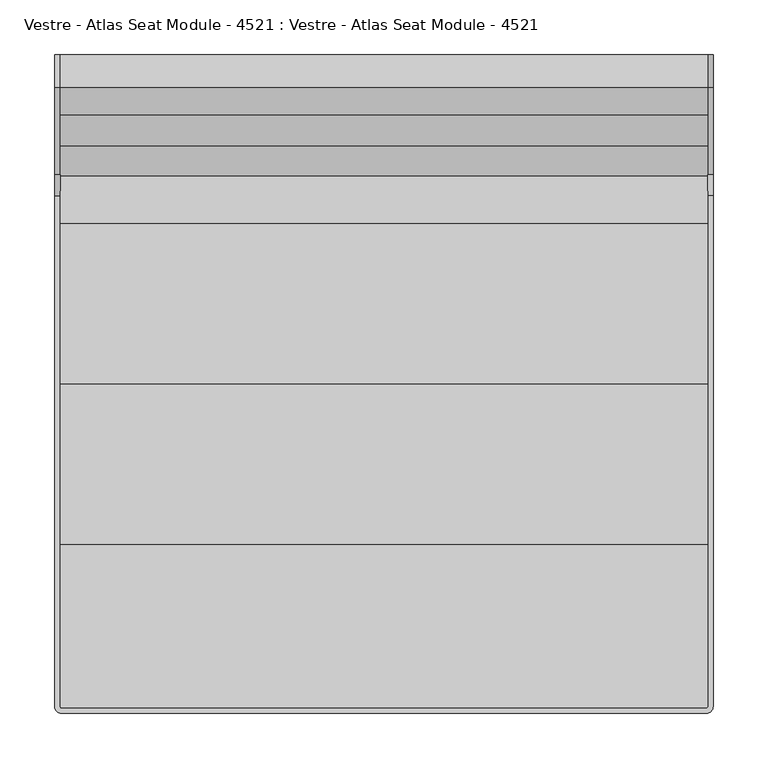
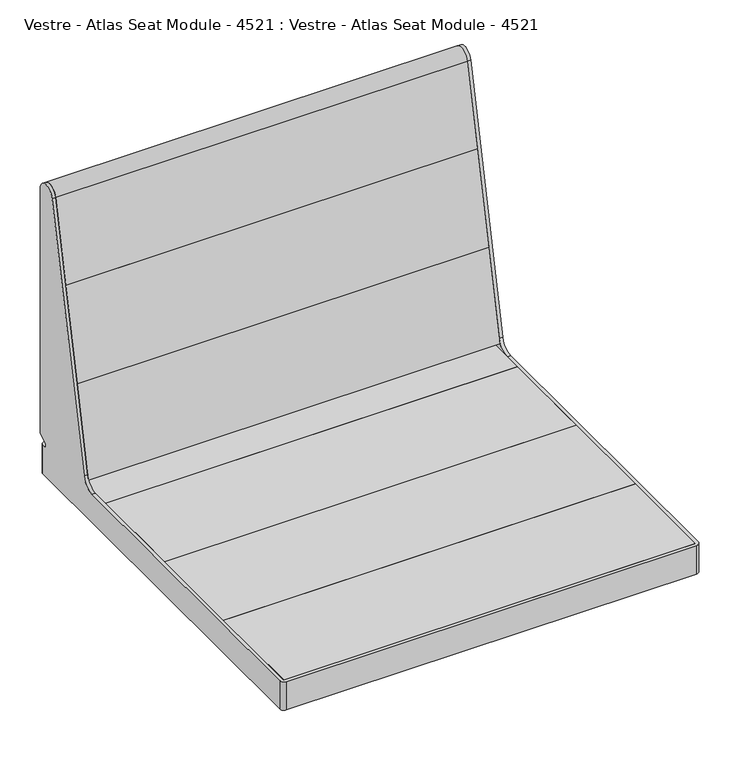
"""IFC4 building model written with IfcOpenShell, lengths in millimetres: furniture geometry, Vestre - Atlas Seat Module - 4521 : Vestre - Atlas Seat Module - 4521."""

from ifc_helpers import new_model, si_unit, point, frame, frame_2d, origin, origin_with_axes, place, context, project, spatial, polyline, circle_curve, trimmed, segment, composite_curve, outline, extrude, source, transform, mapped, element, save
from ifc_brep_helpers import plane_surface, cylinder_surface, revolved_surface, advanced_brep


def vestre_atlas_seat_module_4521_vestre_atlas_seat_module_4521_d1b0581c(model_context):
    return source(origin(), model_context, "Body", "SolidModel", [
        extrude(outline(composite_curve([segment(polyline([(245.3272667, 338.3501092), (270.3277883, 455.9683158)]), True, "CONTINUOUS"), segment(trimmed(circle_curve(frame_2d((285.0000023, 452.8496404)), 15.0), [point((270.3277883, 455.9683158))], [point((300.0000023, 452.8496404))], False, "CARTESIAN"), True, "CONTINUOUS"), segment(polyline([(300.0000023, 452.8496404), (300.0000023, 338.3501092), (245.3272667, 338.3501092)]), True, "CONTINUOUS")], self_intersect=False)), frame((-295.0000168, 0.0, 0.0), z_axis=(1.0, 0.0, 0.0), x_axis=(0.0, 1.0, 0.0)), (0.0, 0.0, 1.0), 590.0000336),
        extrude(outline(polyline([(217.1635184, 205.8500911), (245.3272667, 338.3501092), (300.0000023, 338.3501092), (300.0000023, 205.8500911), (217.1635184, 205.8500911)])), frame((-295.0000168, 0.0, 0.0), z_axis=(1.0, 0.0, 0.0), x_axis=(0.0, 1.0, 0.0)), (0.0, 0.0, 1.0), 590.0000336),
        extrude(outline(polyline([(295.0000168, -146.0000273), (-295.0000168, -146.0000273), (-295.0000168, 0.0), (295.0000168, 0.0), (295.0000168, -146.0000273)])), frame((0.0, 0.0, 39.8500022), z_axis=(0.0, 0.0, 1.0), x_axis=(1.0, 0.0, 0.0)), (0.0, 0.0, 1.0), 27.9999988),
        extrude(outline(polyline([(295.0000168, 146.0000273), (295.0000168, 0.0), (-295.0000168, 0.0), (-295.0000168, 146.0000273), (295.0000168, 146.0000273)])), frame((0.0, 0.0, 39.8500022), z_axis=(0.0, 0.0, 1.0), x_axis=(1.0, 0.0, 0.0)), (0.0, 0.0, 1.0), 27.9999988),
        extrude(outline(composite_curve([segment(polyline([(-294.009246, 294.9999441), (294.0105528, 294.9999441)]), True, "CONTINUOUS"), segment(trimmed(circle_curve(frame_2d((294.0105528, 294.0104801)), 0.989464), [point((294.0105528, 294.9999441))], [point((295.0000168, 294.0104801))], False, "CARTESIAN"), True, "CONTINUOUS"), segment(polyline([(295.0000168, 294.0104801), (295.0000168, 146.0000273), (-295.0000168, 146.0000273), (-295.0000168, 294.0091733)]), True, "CONTINUOUS"), segment(trimmed(circle_curve(frame_2d((-294.009246, 294.0091733)), 0.9907708), [point((-295.0000168, 294.0091733))], [point((-294.009246, 294.9999441))], False, "CARTESIAN"), True, "CONTINUOUS")], self_intersect=False)), frame((0.0, 0.0, 39.8500022), z_axis=(0.0, 0.0, 1.0), x_axis=(1.0, 0.0, 0.0)), (0.0, 0.0, 1.0), 27.9999988),
        extrude(outline(composite_curve([segment(trimmed(circle_curve(frame_2d((-294.0358013, -294.035874)), 0.9642155), [point((-294.0358013, -295.0000895))], [point((-295.0000168, -294.035874))], False, "CARTESIAN"), True, "CONTINUOUS"), segment(polyline([(-295.0000168, -294.035874), (-295.0000168, -146.0000273), (295.0000168, -146.0000273), (295.0000168, -294.0016577)]), True, "CONTINUOUS"), segment(trimmed(circle_curve(frame_2d((294.0015851, -294.0016577)), 0.9984317), [point((295.0000168, -294.0016577))], [point((294.0015851, -295.0000895))], False, "CARTESIAN"), True, "CONTINUOUS"), segment(polyline([(294.0015851, -295.0000895), (-294.0358013, -295.0000895)]), True, "CONTINUOUS")], self_intersect=False)), frame((0.0, 0.0, 39.8500022), z_axis=(0.0, 0.0, 1.0), x_axis=(1.0, 0.0, 0.0)), (0.0, 0.0, 1.0), 27.9999988),
        extrude(outline(polyline([(34.9996078, 34.9999712), (34.9996078, -34.9999712), (-34.9996078, -34.9999712), (-34.9996078, 34.9999712), (34.9996078, 34.9999712)])), origin_with_axes(), (0.0, 0.0, 1.0), 39.8500022),
        extrude(outline(polyline([(217.1636487, 205.8500911), (299.9998569, 205.8500911), (299.9998569, 76.3499908), (189.6375526, 76.3499908), (217.1636487, 205.8500911)])), frame((-295.0000168, 0.0, 0.0), z_axis=(1.0, 0.0, 0.0), x_axis=(0.0, 1.0, 0.0)), (0.0, 0.0, 1.0), 590.0000336),
        advanced_brep(
        [(-295.0000168, 300.0000023, 83.4372244), (-295.0000168, 300.0000023, 452.8496404), (-295.0000168, 270.3277883, 455.9683158), (-295.0000168, 191.1979651, 83.6917671), (-295.0000168, 171.6350131, 67.850001), (-295.0000168, -294.035874, 67.850001), (-295.0000168, -294.035874, 24.8500093), (-295.0000168, 294.0091733, 24.8500093), (-295.0000168, 294.0091733, 67.850001), (-295.0000168, 289.8860908, 67.850001), (-295.0000168, 287.8917461, 75.2929964), (-295.0000168, 299.001022, 81.7069398), (-299.9997116, 300.0000023, 83.4372244), (-299.9997116, 299.001022, 81.7069398), (-299.9997116, 287.8917461, 75.2929964), (-299.9997116, 289.8860908, 67.850001), (-299.9997116, 294.0000778, 67.850001), (-299.9997116, 294.000075, 24.8500093), (-299.9997116, -294.0369399, 24.8500093), (-299.9997116, -294.0369399, 67.850001), (-299.9997116, 171.6350131, 67.850001), (-299.9997116, 191.1979651, 83.6917671), (-299.9997116, 270.3277883, 455.9683158), (-299.9997116, 300.0000023, 452.8496404), (-294.0365765, -300.000075, 67.850001), (293.9997116, -300.000075, 67.850001), (299.9997116, -294.000075, 67.850001), (299.9997116, 171.6350131, 67.850001), (295.0000168, 171.6350131, 67.850001), (295.0000168, -294.0016577, 67.850001), (294.0015851, -295.0000895, 67.850001), (-294.0358013, -295.0000895, 67.850001), (-294.009246, 294.9999441, 67.850001), (294.0105528, 294.9999441, 67.850001), (295.0000168, 294.0104801, 67.850001), (295.0000168, 289.8860908, 67.850001), (299.9997116, 289.8860908, 67.850001), (299.9997116, 294.0000778, 67.850001), (293.9997116, 300.000075, 67.850001), (-293.9997116, 300.000075, 67.850001), (295.0000168, 300.0000023, 83.4372244), (295.0000168, 299.001022, 81.7069398), (295.0000168, 287.8917461, 75.2929964), (295.0000168, 294.0104801, 24.8500093), (295.0000168, -294.0016577, 24.8500093), (295.0000168, 191.1979651, 83.6917671), (295.0000168, 270.3277883, 455.9683158), (295.0000168, 300.0000023, 452.8496404), (299.9997116, 300.0000023, 83.4372244), (299.9997116, 300.0000023, 452.8496404), (299.9997116, 270.3277883, 455.9683158), (299.9997116, 191.1979651, 83.6917671), (299.9997116, -294.000075, 24.8500093), (299.9997116, 294.000075, 24.8500093), (299.9997116, 287.8917461, 75.2929964), (299.9997116, 299.001022, 81.7069398), (-293.9997116, 300.000075, 24.8500093), (293.9997116, 300.000075, 24.8500093), (293.9997116, -300.000075, 24.8500093), (-294.0365765, -300.000075, 24.8500093), (-294.0358013, -295.0000895, 24.8500093), (294.0015851, -295.0000895, 24.8500093), (294.0105528, 294.9999441, 24.8500093), (-294.009246, 294.9999441, 24.8500093)],
        [
            (0, 1),
            (1, 2, circle_curve(frame((-295.0000168, 285.0000023, 452.8496404), z_axis=(1.0, 0.0, 0.0), x_axis=(0.0, -1.0, 0.0)), 15.0)),
            (2, 3),
            (3, 4, circle_curve(frame((-295.0000168, 171.6350131, 87.850001), z_axis=(-1.0, 0.0, 0.0), x_axis=(0.0, -1.0, 0.0)), 20.0)),
            (4, 5),
            (5, 6),
            (6, 7),
            (7, 8),
            (8, 9),
            (9, 10, circle_curve(frame((-295.0000168, 289.8860908, 71.8386902), z_axis=(-1.0, 0.0, 0.0), x_axis=(0.0, -1.0, 0.0)), 3.9886892)),
            (10, 11),
            (11, 0, circle_curve(frame((-295.0000168, 298.0020417, 83.4372244), z_axis=(1.0, 0.0, 0.0), x_axis=(0.0, -1.0, 0.0)), 1.9979606)),
            (12, 13, circle_curve(frame((-299.9997116, 298.0020417, 83.4372244), z_axis=(-1.0, 0.0, 0.0), x_axis=(0.0, -1.0, 0.0)), 1.9979606)),
            (13, 14),
            (14, 15, circle_curve(frame((-299.9997116, 289.8860908, 71.8386902), z_axis=(1.0, 0.0, 0.0), x_axis=(0.0, -1.0, 0.0)), 3.9886892)),
            (15, 16),
            (16, 17),
            (17, 18),
            (18, 19),
            (19, 20),
            (20, 21, circle_curve(frame((-299.9997116, 171.6350131, 87.850001), z_axis=(1.0, 0.0, 0.0), x_axis=(0.0, -1.0, 0.0)), 20.0)),
            (21, 22),
            (22, 23, circle_curve(frame((-299.9997116, 285.0000023, 452.8496404), z_axis=(-1.0, 0.0, 0.0), x_axis=(0.0, -1.0, 0.0)), 15.0)),
            (23, 12),
            (0, 12),
            (23, 1),
            (22, 2),
            (21, 3),
            (20, 4),
            (19, 24, circle_curve(frame((-294.0365765, -294.0369399, 67.850001), z_axis=(0.0, 0.0, 1.0), x_axis=(1.0, 0.0, 0.0)), 5.9631351)),
            (24, 25),
            (25, 26, circle_curve(frame((293.9997116, -294.000075, 67.850001), z_axis=(0.0, 0.0, 1.0), x_axis=(1.0, 0.0, 0.0)), 6.0)),
            (26, 27),
            (27, 28),
            (28, 29),
            (29, 30, circle_curve(frame((294.0015851, -294.0016577, 67.850001), z_axis=(0.0, 0.0, -1.0), x_axis=(1.0, 0.0, 0.0)), 0.9984317)),
            (30, 31),
            (31, 5, circle_curve(frame((-294.0358013, -294.035874, 67.850001), z_axis=(0.0, 0.0, -1.0), x_axis=(1.0, 0.0, 0.0)), 0.9642155)),
            (8, 32, circle_curve(frame((-294.009246, 294.0091733, 67.850001), z_axis=(0.0, 0.0, -1.0), x_axis=(1.0, 0.0, 0.0)), 0.9907708)),
            (32, 33),
            (33, 34, circle_curve(frame((294.0105528, 294.0104801, 67.850001), z_axis=(0.0, 0.0, -1.0), x_axis=(1.0, 0.0, 0.0)), 0.989464)),
            (34, 35),
            (35, 36),
            (36, 37),
            (37, 38, circle_curve(frame((293.9997116, 294.000075, 67.850001), z_axis=(0.0, 0.0, 1.0), x_axis=(1.0, 0.0, 0.0)), 6.0)),
            (38, 39),
            (39, 16, circle_curve(frame((-293.9997116, 294.000075, 67.850001), z_axis=(0.0, 0.0, 1.0), x_axis=(1.0, 0.0, 0.0)), 6.0)),
            (15, 9),
            (14, 10),
            (13, 11),
            (40, 41, circle_curve(frame((295.0000168, 298.0020417, 83.4372244), z_axis=(-1.0, 0.0, 0.0), x_axis=(0.0, -1.0, 0.0)), 1.9979606)),
            (41, 42),
            (42, 35, circle_curve(frame((295.0000168, 289.8860908, 71.8386902), z_axis=(1.0, 0.0, 0.0), x_axis=(0.0, -1.0, 0.0)), 3.9886892)),
            (34, 43),
            (43, 44),
            (44, 29),
            (28, 45, circle_curve(frame((295.0000168, 171.6350131, 87.850001), z_axis=(1.0, 0.0, 0.0), x_axis=(0.0, -1.0, 0.0)), 20.0)),
            (45, 46),
            (46, 47, circle_curve(frame((295.0000168, 285.0000023, 452.8496404), z_axis=(-1.0, 0.0, 0.0), x_axis=(0.0, -1.0, 0.0)), 15.0)),
            (47, 40),
            (48, 49),
            (49, 50, circle_curve(frame((299.9997116, 285.0000023, 452.8496404), z_axis=(1.0, 0.0, 0.0), x_axis=(0.0, -1.0, 0.0)), 15.0)),
            (50, 51),
            (51, 27, circle_curve(frame((299.9997116, 171.6350131, 87.850001), z_axis=(-1.0, 0.0, 0.0), x_axis=(0.0, -1.0, 0.0)), 20.0)),
            (26, 52),
            (52, 53),
            (53, 37),
            (36, 54, circle_curve(frame((299.9997116, 289.8860908, 71.8386902), z_axis=(-1.0, 0.0, 0.0), x_axis=(0.0, -1.0, 0.0)), 3.9886892)),
            (54, 55),
            (55, 48, circle_curve(frame((299.9997116, 298.0020417, 83.4372244), z_axis=(1.0, 0.0, 0.0), x_axis=(0.0, -1.0, 0.0)), 1.9979606)),
            (47, 49),
            (48, 40),
            (46, 50),
            (45, 51),
            (42, 54),
            (41, 55),
            (17, 56, circle_curve(frame((-293.9997116, 294.000075, 24.8500093), z_axis=(0.0, 0.0, -1.0), x_axis=(1.0, 0.0, 0.0)), 6.0)),
            (56, 57),
            (57, 53, circle_curve(frame((293.9997116, 294.000075, 24.8500093), z_axis=(0.0, 0.0, -1.0), x_axis=(1.0, 0.0, 0.0)), 6.0)),
            (52, 58, circle_curve(frame((293.9997116, -294.000075, 24.8500093), z_axis=(0.0, 0.0, -1.0), x_axis=(1.0, 0.0, 0.0)), 6.0)),
            (58, 59),
            (59, 18, circle_curve(frame((-294.0365765, -294.0369399, 24.8500093), z_axis=(0.0, 0.0, -1.0), x_axis=(1.0, 0.0, 0.0)), 5.9631351)),
            (6, 60, circle_curve(frame((-294.0358013, -294.035874, 24.8500093), z_axis=(0.0, 0.0, 1.0), x_axis=(1.0, 0.0, 0.0)), 0.9642155)),
            (60, 61),
            (61, 44, circle_curve(frame((294.0015851, -294.0016577, 24.8500093), z_axis=(0.0, 0.0, 1.0), x_axis=(1.0, 0.0, 0.0)), 0.9984317)),
            (43, 62, circle_curve(frame((294.0105528, 294.0104801, 24.8500093), z_axis=(0.0, 0.0, 1.0), x_axis=(1.0, 0.0, 0.0)), 0.989464)),
            (62, 63),
            (63, 7, circle_curve(frame((-294.009246, 294.0091733, 24.8500093), z_axis=(0.0, 0.0, 1.0), x_axis=(1.0, 0.0, 0.0)), 0.9907708)),
            (63, 32),
            (62, 33),
            (61, 30),
            (60, 31),
            (59, 24),
            (58, 25),
            (57, 38),
            (56, 39),
        ],
        [
            plane_surface(frame((-295.0000168, 300.0000023, 452.8497931), z_axis=(1.0, 0.0, 0.0), x_axis=(0.0, 0.0, 1.0))),
            plane_surface(frame((-299.9997116, 300.0000023, 452.8497931), z_axis=(-1.0, 0.0, 0.0), x_axis=(0.0, 0.0, -1.0))),
            plane_surface(frame((-295.0000168, 300.0000023, 83.4372244), z_axis=(0.0, 1.0, 0.0), x_axis=(-1.0, 0.0, 0.0))),
            cylinder_surface(frame((-299.9997116, 285.0000023, 452.8496404), z_axis=(1.0, 0.0, 0.0), x_axis=(0.0, -1.0, 0.0)), 15.0),
            plane_surface(frame((-295.0000168, 270.3277883, 455.9683158), z_axis=(0.0, -0.9781476007338054, 0.20791169081776092), x_axis=(-1.0, 0.0, 0.0))),
            revolved_surface(polyline([(-299.9997116, 151.6350131, 87.850001), (-295.0000168, 151.6350131, 87.850001)]), (-299.9997116, 171.6350131, 87.850001), (-1.0, 0.0, 0.0)),
            plane_surface(frame((-295.0000168, 171.6350131, 67.850001), z_axis=(0.0, 0.0, 1.0), x_axis=(-1.0, 0.0, 0.0))),
            revolved_surface(polyline([(-299.9997116, 285.89740159999997, 71.8386902), (-295.0000168, 285.89740159999997, 71.8386902)]), (-299.9997116, 289.8860908, 71.8386902), (-1.0, 0.0, 0.0)),
            plane_surface(frame((-295.0000168, 287.8917461, 75.2929964), z_axis=(0.0, 0.49999999999999944, -0.866025403784439), x_axis=(-1.0, 0.0, 0.0))),
            cylinder_surface(frame((-299.9997116, 298.0020417, 83.4372244), z_axis=(1.0, 0.0, 0.0), x_axis=(0.0, -1.0, 0.0)), 1.9979606),
            plane_surface(frame((295.0000168, 296.0040811, 83.4372244), z_axis=(-1.0, 0.0, 0.0), x_axis=(0.0, 0.0, 1.0))),
            plane_surface(frame((299.9997116, 296.0040811, 83.4372244), z_axis=(1.0, 0.0, 0.0), x_axis=(0.0, 0.0, -1.0))),
            plane_surface(frame((295.0000168, 300.0000023, 452.8496404), z_axis=(0.0, 1.0, 0.0), x_axis=(1.0, 0.0, 0.0))),
            cylinder_surface(frame((299.9997116, 285.0000023, 452.8496404), z_axis=(-1.0, 0.0, 0.0), x_axis=(0.0, -1.0, 0.0)), 15.0),
            plane_surface(frame((295.0000168, 191.1979651, 83.6917671), z_axis=(0.0, -0.9781476007338054, 0.20791169081776098), x_axis=(1.0, 0.0, 0.0))),
            revolved_surface(polyline([(299.9997116, 151.6350131, 87.850001), (295.0000168, 151.6350131, 87.850001)]), (299.9997116, 171.6350131, 87.850001), (1.0, 0.0, 0.0)),
            revolved_surface(polyline([(299.9997116, 285.89740159999997, 71.8386902), (295.0000168, 285.89740159999997, 71.8386902)]), (299.9997116, 289.8860908, 71.8386902), (1.0, 0.0, 0.0)),
            plane_surface(frame((295.0000168, 299.001022, 81.7069398), z_axis=(0.0, 0.49999999999999944, -0.866025403784439), x_axis=(1.0, 0.0, 0.0))),
            cylinder_surface(frame((299.9997116, 298.0020417, 83.4372244), z_axis=(-1.0, 0.0, 0.0), x_axis=(0.0, -1.0, 0.0)), 1.9979606),
            plane_surface(frame((-295.0000168, 294.0000051, 24.8500093), z_axis=(0.0, 0.0, -1.0), x_axis=(0.0, -1.0, 0.0))),
            revolved_surface(polyline([(-293.0184752, 294.0091733, 24.8500093), (-293.0184752, 294.0091733, 67.850001)]), (-294.009246, 294.0091733, 24.8500093), (0.0, 0.0, -1.0)),
            plane_surface(frame((-294.009246, 294.9999441, 67.850001), z_axis=(0.0, -1.0, 0.0), x_axis=(0.0, 0.0, -1.0))),
            revolved_surface(polyline([(295.0000168, 294.0104801, 24.8500093), (295.0000168, 294.0104801, 67.850001)]), (294.0105528, 294.0104801, 24.8500093), (0.0, 0.0, -1.0)),
            revolved_surface(polyline([(295.0000168, -294.0016577, 24.8500093), (295.0000168, -294.0016577, 67.850001)]), (294.0015851, -294.0016577, 24.8500093), (0.0, 0.0, -1.0)),
            plane_surface(frame((294.0015851, -295.0000895, 67.850001), z_axis=(0.0, 1.0, 0.0), x_axis=(0.0, 0.0, -1.0))),
            revolved_surface(polyline([(-293.0715858, -294.035874, 24.8500093), (-293.0715858, -294.035874, 67.850001)]), (-294.0358013, -294.035874, 24.8500093), (0.0, 0.0, -1.0)),
            cylinder_surface(frame((-294.0365765, -294.0369399, 24.8500093), z_axis=(0.0, 0.0, 1.0), x_axis=(1.0, 0.0, 0.0)), 5.9631351),
            plane_surface(frame((-294.0365765, -300.000075, 67.850001), z_axis=(0.0, -1.0, 0.0), x_axis=(0.0, 0.0, -1.0))),
            cylinder_surface(frame((293.9997116, -294.000075, 24.8500093), z_axis=(0.0, 0.0, 1.0), x_axis=(1.0, 0.0, 0.0)), 6.0),
            cylinder_surface(frame((293.9997116, 294.000075, 24.8500093), z_axis=(0.0, 0.0, 1.0), x_axis=(1.0, 0.0, 0.0)), 6.0),
            plane_surface(frame((293.9997116, 300.000075, 67.850001), z_axis=(0.0, 1.0, 0.0), x_axis=(0.0, 0.0, -1.0))),
            cylinder_surface(frame((-293.9997116, 294.000075, 24.8500093), z_axis=(0.0, 0.0, 1.0), x_axis=(1.0, 0.0, 0.0)), 6.0),
        ],
        [
            (0, [[1, 2, 3, 4, 5, 6, 7, 8, 9, 10, 11, 12]]),
            (1, [[13, 14, 15, 16, 17, 18, 19, 20, 21, 22, 23, 24]]),
            (2, [[-1, 25, -24, 26]]),
            (3, [[-2, -26, -23, 27]]),
            (4, [[-3, -27, -22, 28]]),
            (5, [[-4, -28, -21, 29]]),
            (6, [[-5, -29, -20, 30, 31, 32, 33, 34, 35, 36, 37, 38]]),
            (6, [[39, 40, 41, 42, 43, 44, 45, 46, 47, -16, 48, -9]]),
            (7, [[-10, -48, -15, 49]]),
            (8, [[-11, -49, -14, 50]]),
            (9, [[-12, -50, -13, -25]]),
            (10, [[51, 52, 53, -42, 54, 55, 56, -35, 57, 58, 59, 60]]),
            (11, [[61, 62, 63, 64, -33, 65, 66, 67, -44, 68, 69, 70]]),
            (12, [[-60, 71, -61, 72]]),
            (13, [[-59, 73, -62, -71]]),
            (14, [[-58, 74, -63, -73]]),
            (15, [[-57, -34, -64, -74]]),
            (16, [[-53, 75, -68, -43]]),
            (17, [[-52, 76, -69, -75]]),
            (18, [[-51, -72, -70, -76]]),
            (19, [[-18, 77, 78, 79, -66, 80, 81, 82], [83, 84, 85, -55, 86, 87, 88, -7]]),
            (20, [[-39, -8, -88, 89]]),
            (21, [[-40, -89, -87, 90]]),
            (22, [[-54, -41, -90, -86]]),
            (23, [[-36, -56, -85, 91]]),
            (24, [[-37, -91, -84, 92]]),
            (25, [[-38, -92, -83, -6]]),
            (26, [[-30, -19, -82, 93]]),
            (27, [[-31, -93, -81, 94]]),
            (28, [[-32, -94, -80, -65]]),
            (29, [[-45, -67, -79, 95]]),
            (30, [[-46, -95, -78, 96]]),
            (31, [[-17, -47, -96, -77]]),
        ],
    ),
    ])


if __name__ == "__main__":
    model = new_model("IFC4")
    model_context = context("Model", 3, world=origin())
    ifc_project = project(units=[si_unit("LENGTHUNIT", "METRE", prefix="MILLI")], contexts=[model_context])
    site = spatial("IfcSite", under=ifc_project)
    building = spatial("IfcBuilding", under=site)
    placement = place(None, origin())
    vestre_atlas_seat_module_4521_vestre_atlas_seat_module_4521_shape = vestre_atlas_seat_module_4521_vestre_atlas_seat_module_4521_d1b0581c(model_context)
    element("IfcFurniture", 1, ObjectType="Vestre - Atlas Seat Module - 4521 : Vestre - Atlas Seat Module - 4521", at=placement, inside=building, context=model_context, shape_type="MappedRepresentation", body=[
        mapped(vestre_atlas_seat_module_4521_vestre_atlas_seat_module_4521_shape, transform((0.0, 0.0, 0.0), x_axis=(1.0, 0.0, 0.0), y_axis=(0.0, 1.0, 0.0), z_axis=(0.0, 0.0, 1.0))),
    ])
    save(model, "model.ifc")
